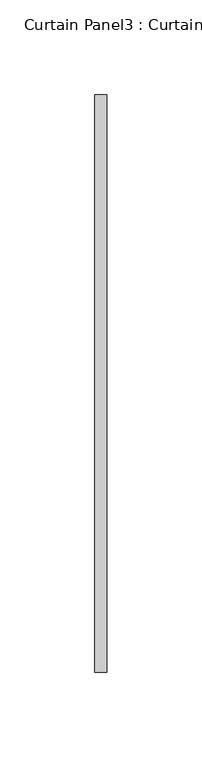
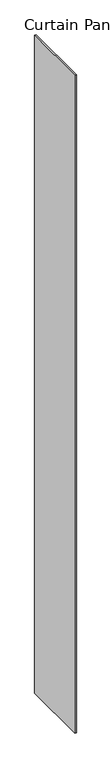
"""IFC4 building model written with IfcOpenShell, lengths in millimetres: plate geometry, Curtain Panel3 : Curtain Panel."""

from ifc_helpers import new_model, si_unit, origin, origin_with_axes, place, context, project, spatial, polyline, outline, extrude, source, transform, mapped, element, save


def curtain_panel3_curtain_panel_d01bcdaa(model_context):
    return source(origin(), model_context, "Body", "SweptSolid", [
        extrude(outline(polyline([(176440.8194343, 2954.8136812), (176440.8194343, 3259.6136812), (176447.1694343, 3259.6136812), (176447.1694343, 2954.8136812), (176440.8194343, 2954.8136812)])), origin_with_axes(), (0.0, 0.0, 1.0), 3048.0),
    ])


if __name__ == "__main__":
    model = new_model("IFC4")
    model_context = context("Model", 3, world=origin())
    ifc_project = project(units=[si_unit("LENGTHUNIT", "METRE", prefix="MILLI")], contexts=[model_context])
    site = spatial("IfcSite", under=ifc_project)
    building = spatial("IfcBuilding", under=site)
    placement = place(None, origin())
    curtain_panel3_curtain_panel_shape = curtain_panel3_curtain_panel_d01bcdaa(model_context)
    element("IfcPlate", 1, ObjectType="Curtain Panel3 : Curtain Panel", at=placement, inside=building, context=model_context, shape_type="MappedRepresentation", body=[
        mapped(curtain_panel3_curtain_panel_shape, transform((0.0, 0.0, 0.0), x_axis=(1.0, 0.0, 0.0), y_axis=(0.0, 1.0, 0.0), z_axis=(0.0, 0.0, 1.0))),
    ])
    save(model, "model.ifc")
